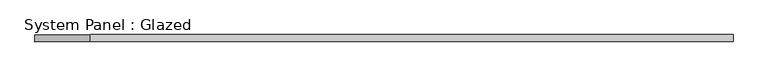
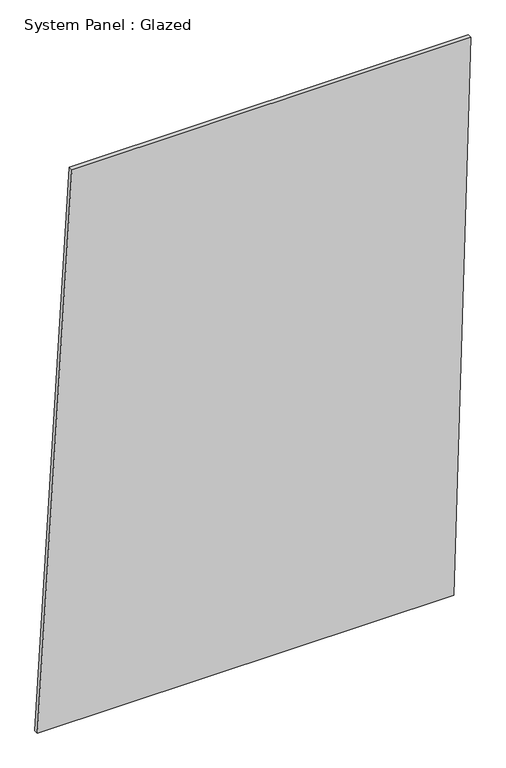
"""IFC4 building model written with IfcOpenShell, lengths in millimetres: plate geometry, System Panel : Glazed."""

from ifc_helpers import new_model, si_unit, frame, origin, place, context, project, spatial, polyline, outline, extrude, source, transform, mapped, element, save


def system_panel_glazed_3e12b353(model_context):
    return source(origin(), model_context, "Body", "SweptSolid", [
        extrude(outline(polyline([(0.0, -1239.4465872), (0.0, 1140.7795463), (3338.9590981, 1239.4465872), (3338.9590981, -1042.1125053), (0.0, -1239.4465872)])), frame((0.0, -49.5, 0.0), z_axis=(0.0, 1.0, 0.0), x_axis=(0.0, 0.0, 1.0)), (0.0, 0.0, 1.0), 25.0),
    ])


if __name__ == "__main__":
    model = new_model("IFC4")
    model_context = context("Model", 3, world=origin())
    ifc_project = project(units=[si_unit("LENGTHUNIT", "METRE", prefix="MILLI")], contexts=[model_context])
    site = spatial("IfcSite", under=ifc_project)
    building = spatial("IfcBuilding", under=site)
    placement = place(None, origin())
    system_panel_glazed_shape = system_panel_glazed_3e12b353(model_context)
    element("IfcPlate", 1, ObjectType="System Panel : Glazed", at=placement, inside=building, context=model_context, shape_type="MappedRepresentation", body=[
        mapped(system_panel_glazed_shape, transform((0.0, 0.0, 0.0), x_axis=(1.0, 0.0, 0.0), y_axis=(0.0, 1.0, 0.0), z_axis=(0.0, 0.0, 1.0))),
    ])
    save(model, "model.ifc")
